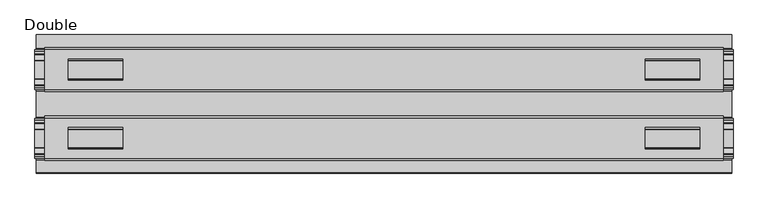
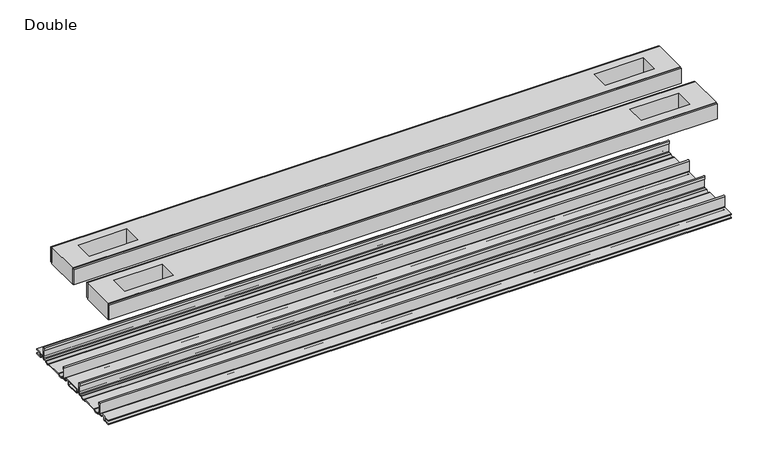
"""IFC4 building model written with IfcOpenShell, lengths in millimetres: proxy geometry, Double."""

from ifc_helpers import new_model, si_unit, point, frame, frame_2d, origin, place, context, project, spatial, polyline, circle_curve, trimmed, segment, composite_curve, outline, extrude, source, transform, mapped, element, save


def double_83665cc0(model_context):
    return source(origin(), model_context, "Body", "SweptSolid", [
        extrude(outline(composite_curve([segment(trimmed(circle_curve(frame_2d((76.6483061, -7.7516037)), 2.17424), [point((78.8225461, -7.7516037))], [point((76.6483061, -9.9258438))], False, "CARTESIAN"), True, "CONTINUOUS"), segment(polyline([(76.6483061, -9.9258438), (72.3573194, -9.9258438)]), True, "CONTINUOUS"), segment(trimmed(circle_curve(frame_2d((67.7769049, -6.4800016)), 5.7318431), [point((72.3573194, -9.9258438))], [point((63.1964904, -9.9258438))], False, "CARTESIAN"), True, "CONTINUOUS"), segment(polyline([(63.1964904, -9.9258438), (36.43501, -9.9258438)]), True, "CONTINUOUS"), segment(trimmed(circle_curve(frame_2d((31.8545955, -6.4800016)), 5.7318431), [point((36.43501, -9.9258438))], [point((27.274181, -9.9258438))], False, "CARTESIAN"), True, "CONTINUOUS"), segment(polyline([(27.274181, -9.9258438), (22.9831943, -9.9258438)]), True, "CONTINUOUS"), segment(trimmed(circle_curve(frame_2d((22.9831943, -7.7516037)), 2.17424), [point((22.9831943, -9.9258438))], [point((20.8089542, -7.7516037))], False, "CARTESIAN"), True, "CONTINUOUS"), segment(polyline([(20.8089542, -7.7516037), (20.8089542, 9.8607558)]), True, "CONTINUOUS"), segment(trimmed(circle_curve(frame_2d((22.0281522, 9.8607558)), 1.2191979), [point((20.8089542, 9.8607558))], [point((23.2473501, 9.8607558))], False, "CARTESIAN"), True, "CONTINUOUS"), segment(polyline([(23.2473501, 9.8607558), (23.2473501, 5.9999563), (21.9671735, 5.9999563), (21.9671735, -7.7516037)]), True, "CONTINUOUS"), segment(trimmed(circle_curve(frame_2d((22.9831943, -7.7516037)), 1.0160208), [point((21.9671735, -7.7516037))], [point((22.9766772, -8.7676036))], True, "CARTESIAN"), True, "CONTINUOUS"), segment(polyline([(22.9766772, -8.7676036), (26.9196277, -8.7676036), (27.8329895, -8.968753)]), True, "CONTINUOUS"), segment(trimmed(circle_curve(frame_2d((31.8579482, -6.1259382)), 4.9276657), [point((27.8329895, -8.968753))], [point((35.8829069, -8.968753))], True, "CARTESIAN"), True, "CONTINUOUS"), segment(polyline([(35.8829069, -8.968753), (36.7962778, -8.7676036), (62.8352226, -8.7676036), (63.7485934, -8.968753)]), True, "CONTINUOUS"), segment(trimmed(circle_curve(frame_2d((67.7735521, -6.1259382)), 4.9276657), [point((63.7485934, -8.968753))], [point((71.7985108, -8.968753))], True, "CARTESIAN"), True, "CONTINUOUS"), segment(polyline([(71.7985108, -8.968753), (72.7118726, -8.7676036), (76.6548232, -8.7676036)]), True, "CONTINUOUS"), segment(trimmed(circle_curve(frame_2d((76.6483061, -7.7516037)), 1.0160208), [point((76.6548232, -8.7676036))], [point((77.6643269, -7.7516037))], True, "CARTESIAN"), True, "CONTINUOUS"), segment(polyline([(77.6643269, -7.7516037), (77.6643269, 5.9999563), (76.3841503, 5.9999563), (76.3841503, 9.8607558)]), True, "CONTINUOUS"), segment(trimmed(circle_curve(frame_2d((77.6033482, 9.8607558)), 1.2191979), [point((76.3841503, 9.8607558))], [point((78.8225461, 9.8607558))], False, "CARTESIAN"), True, "CONTINUOUS"), segment(polyline([(78.8225461, 9.8607558), (78.8225461, -7.7516037)]), True, "CONTINUOUS")], self_intersect=False)), frame((-506.1204, 0.0, 0.0), z_axis=(1.0, 0.0, 0.0), x_axis=(0.0, 1.0, 0.0)), (0.0, 0.0, 1.0), 1012.2408),
        extrude(outline(composite_curve([segment(polyline([(-79.2035458, -7.7516037), (-79.2035458, 9.8607558)]), True, "CONTINUOUS"), segment(trimmed(circle_curve(frame_2d((-77.9843478, 9.8607558)), 1.2191979), [point((-79.2035458, 9.8607558))], [point((-76.7651499, 9.8607558))], False, "CARTESIAN"), True, "CONTINUOUS"), segment(polyline([(-76.7651499, 9.8607558), (-76.7651499, 5.9999563), (-78.0453265, 5.9999563), (-78.0453265, -7.7516037)]), True, "CONTINUOUS"), segment(trimmed(circle_curve(frame_2d((-77.0293057, -7.7516037)), 1.0160208), [point((-78.0453265, -7.7516037))], [point((-77.0358228, -8.7676036))], True, "CARTESIAN"), True, "CONTINUOUS"), segment(polyline([(-77.0358228, -8.7676036), (-73.0928723, -8.7676036), (-72.1795105, -8.968753)]), True, "CONTINUOUS"), segment(trimmed(circle_curve(frame_2d((-68.1545518, -6.1259382)), 4.9276657), [point((-72.1795105, -8.968753))], [point((-64.1295931, -8.968753))], True, "CARTESIAN"), True, "CONTINUOUS"), segment(polyline([(-64.1295931, -8.968753), (-63.2162222, -8.7676036), (-37.1772774, -8.7676036), (-36.2639066, -8.968753)]), True, "CONTINUOUS"), segment(trimmed(circle_curve(frame_2d((-32.2389479, -6.1259382)), 4.9276657), [point((-36.2639066, -8.968753))], [point((-28.2139892, -8.968753))], True, "CARTESIAN"), True, "CONTINUOUS"), segment(polyline([(-28.2139892, -8.968753), (-27.3006274, -8.7676036), (-23.3576768, -8.7676036)]), True, "CONTINUOUS"), segment(trimmed(circle_curve(frame_2d((-23.3641939, -7.7516037)), 1.0160208), [point((-23.3576768, -8.7676036))], [point((-22.3481731, -7.7516037))], True, "CARTESIAN"), True, "CONTINUOUS"), segment(polyline([(-22.3481731, -7.7516037), (-22.3481731, 5.9999563), (-23.6283497, 5.9999563), (-23.6283497, 9.8607558)]), True, "CONTINUOUS"), segment(trimmed(circle_curve(frame_2d((-22.4091518, 9.8607558)), 1.2191979), [point((-23.6283497, 9.8607558))], [point((-21.1899539, 9.8607558))], False, "CARTESIAN"), True, "CONTINUOUS"), segment(polyline([(-21.1899539, 9.8607558), (-21.1899539, -7.7516037)]), True, "CONTINUOUS"), segment(trimmed(circle_curve(frame_2d((-23.3641939, -7.7516037)), 2.17424), [point((-21.1899539, -7.7516037))], [point((-23.3641939, -9.9258438))], False, "CARTESIAN"), True, "CONTINUOUS"), segment(polyline([(-23.3641939, -9.9258438), (-27.6551806, -9.9258438)]), True, "CONTINUOUS"), segment(trimmed(circle_curve(frame_2d((-32.2355951, -6.4800016)), 5.7318431), [point((-27.6551806, -9.9258438))], [point((-36.8160096, -9.9258438))], False, "CARTESIAN"), True, "CONTINUOUS"), segment(polyline([(-36.8160096, -9.9258438), (-63.57749, -9.9258438)]), True, "CONTINUOUS"), segment(trimmed(circle_curve(frame_2d((-68.1579045, -6.4800016)), 5.7318431), [point((-63.57749, -9.9258438))], [point((-72.738319, -9.9258438))], False, "CARTESIAN"), True, "CONTINUOUS"), segment(polyline([(-72.738319, -9.9258438), (-77.0293057, -9.9258438)]), True, "CONTINUOUS"), segment(trimmed(circle_curve(frame_2d((-77.0293057, -7.7516037)), 2.17424), [point((-77.0293057, -9.9258438))], [point((-79.2035458, -7.7516037))], False, "CARTESIAN"), True, "CONTINUOUS")], self_intersect=False)), frame((-506.1204, 0.0, 0.0), z_axis=(1.0, 0.0, 0.0), x_axis=(0.0, 1.0, 0.0)), (0.0, 0.0, 1.0), 1012.2408),
        extrude(outline(polyline([(492.0615091, 78.8225461), (-492.0615091, 78.8225461), (-492.0615091, 81.9975522), (492.0615091, 81.9975522), (492.0615091, 78.8225461)])), frame((0.0, 0.0, 149.8401622), z_axis=(0.0, 0.0, 1.0), x_axis=(1.0, 0.0, 0.0)), (0.0, 0.0, 1.0), 25.3999939),
        extrude(outline(polyline([(492.0615091, 17.6339482), (-492.0615091, 17.6339482), (-492.0615091, 20.8089542), (492.0615091, 20.8089542), (492.0615091, 17.6339482)])), frame((0.0, 0.0, 149.8401622), z_axis=(0.0, 0.0, 1.0), x_axis=(1.0, 0.0, 0.0)), (0.0, 0.0, 1.0), 25.3999939),
        extrude(outline(polyline([(492.0615091, -21.1899493), (-492.0615091, -21.1899493), (-492.0615091, -18.0149501), (492.0615091, -18.0149501), (492.0615091, -21.1899493)])), frame((0.0, 0.0, 149.8401622), z_axis=(0.0, 0.0, 1.0), x_axis=(1.0, 0.0, 0.0)), (0.0, 0.0, 1.0), 25.3999939),
        extrude(outline(polyline([(492.0615091, -82.3785496), (-492.0615091, -82.3785496), (-492.0615091, -79.2035503), (492.0615091, -79.2035503), (492.0615091, -82.3785496)])), frame((0.0, 0.0, 149.8401622), z_axis=(0.0, 0.0, 1.0), x_axis=(1.0, 0.0, 0.0)), (0.0, 0.0, 1.0), 25.3999939),
        extrude(outline(polyline([(492.0615091, -79.2035503), (-492.0615091, -79.2035503), (-492.0615091, -21.1899493), (492.0615091, -21.1899493), (492.0615091, -79.2035503)]), holes=[polyline([(457.6444965, -65.3097536), (457.6444965, -34.3217468), (378.5996847, -34.3217468), (378.5996847, -65.3097536), (457.6444965, -65.3097536)]), polyline([(-457.6444965, -65.3097536), (-378.5996847, -65.3097536), (-378.5996847, -34.3217468), (-457.6444965, -34.3217468), (-457.6444965, -65.3097536)])]), frame((0.0, 0.0, 148.4185847), z_axis=(0.0, 0.0, 1.0), x_axis=(1.0, 0.0, 0.0)), (0.0, 0.0, 1.0), 27.9999988),
        extrude(outline(polyline([(492.0615091, 78.8225461), (492.0615091, 20.8224524), (-492.0615091, 20.8224524), (-492.0615091, 78.8225461), (492.0615091, 78.8225461)]), holes=[polyline([(457.6444965, 65.3097536), (378.5996847, 65.3097536), (378.5996847, 34.3217468), (457.6444965, 34.3217468), (457.6444965, 65.3097536)]), polyline([(-457.6444965, 65.3097536), (-457.6444965, 34.3217468), (-378.5996847, 34.3217468), (-378.5996847, 65.3097536), (-457.6444965, 65.3097536)])]), frame((0.0, 0.0, 148.4185847), z_axis=(0.0, 0.0, 1.0), x_axis=(1.0, 0.0, 0.0)), (0.0, 0.0, 1.0), 27.9999988),
        extrude(outline(composite_curve([segment(polyline([(100.2730922, -13.9898438), (89.6620022, -13.9898438)]), True, "CONTINUOUS"), segment(trimmed(circle_curve(frame_2d((89.6620022, -12.4658438)), 1.524), [point((89.6620022, -13.9898438))], [point((88.1380022, -12.4658438))], False, "CARTESIAN"), True, "CONTINUOUS"), segment(polyline([(88.1380022, -12.4658438), (88.1380022, -7.766844), (81.3117474, -7.766844), (81.3117474, -10.0528438)]), True, "CONTINUOUS"), segment(trimmed(circle_curve(frame_2d((79.7877474, -10.0528438)), 1.524), [point((81.3117474, -10.0528438))], [point((79.7877474, -11.5768438))], False, "CARTESIAN"), True, "CONTINUOUS"), segment(polyline([(79.7877474, -11.5768438), (73.2816053, -11.5768438)]), True, "CONTINUOUS"), segment(trimmed(circle_curve(frame_2d((67.7735521, -6.4968436)), 7.4930002), [point((73.2816053, -11.5768438))], [point((62.5157472, -11.8354331))], False, "CARTESIAN"), True, "CONTINUOUS"), segment(polyline([(62.5157472, -11.8354331), (37.1157532, -11.8354331)]), True, "CONTINUOUS"), segment(trimmed(circle_curve(frame_2d((31.8579482, -6.4968436)), 7.4930002), [point((37.1157532, -11.8354331))], [point((26.3498951, -11.5768438))], False, "CARTESIAN"), True, "CONTINUOUS"), segment(polyline([(26.3498951, -11.5768438), (19.8437529, -11.5768438)]), True, "CONTINUOUS"), segment(trimmed(circle_curve(frame_2d((19.8437529, -10.0528438)), 1.524), [point((19.8437529, -11.5768438))], [point((18.319753, -10.0528438))], False, "CARTESIAN"), True, "CONTINUOUS"), segment(polyline([(18.319753, -10.0528438), (18.319753, -7.766844), (11.4934981, -7.766844), (11.4934981, -12.4658438)]), True, "CONTINUOUS"), segment(trimmed(circle_curve(frame_2d((9.9694982, -12.4658438)), 1.524), [point((11.4934981, -12.4658438))], [point((9.9694982, -13.9898438))], False, "CARTESIAN"), True, "CONTINUOUS"), segment(polyline([(9.9694982, -13.9898438), (-10.3504978, -13.9898438)]), True, "CONTINUOUS"), segment(trimmed(circle_curve(frame_2d((-10.3504978, -12.4658438)), 1.524), [point((-10.3504978, -13.9898438))], [point((-11.8744978, -12.4658438))], False, "CARTESIAN"), True, "CONTINUOUS"), segment(polyline([(-11.8744978, -12.4658438), (-11.8744978, -7.766844), (-18.7007526, -7.766844), (-18.7007526, -10.0528438)]), True, "CONTINUOUS"), segment(trimmed(circle_curve(frame_2d((-20.2247526, -10.0528438)), 1.524), [point((-18.7007526, -10.0528438))], [point((-20.2247526, -11.5768438))], False, "CARTESIAN"), True, "CONTINUOUS"), segment(polyline([(-20.2247526, -11.5768438), (-26.7308947, -11.5768438)]), True, "CONTINUOUS"), segment(trimmed(circle_curve(frame_2d((-32.2389479, -6.4968436)), 7.4930002), [point((-26.7308947, -11.5768438))], [point((-37.4967528, -11.8354331))], False, "CARTESIAN"), True, "CONTINUOUS"), segment(polyline([(-37.4967528, -11.8354331), (-62.8967468, -11.8354331)]), True, "CONTINUOUS"), segment(trimmed(circle_curve(frame_2d((-68.1545518, -6.4968436)), 7.4930002), [point((-62.8967468, -11.8354331))], [point((-73.6626049, -11.5768438))], False, "CARTESIAN"), True, "CONTINUOUS"), segment(polyline([(-73.6626049, -11.5768438), (-80.1687471, -11.5768438)]), True, "CONTINUOUS"), segment(trimmed(circle_curve(frame_2d((-80.1687471, -10.0528438)), 1.524), [point((-80.1687471, -11.5768438))], [point((-81.692747, -10.0528438))], False, "CARTESIAN"), True, "CONTINUOUS"), segment(polyline([(-81.692747, -10.0528438), (-81.692747, -7.766844), (-88.5190019, -7.766844), (-88.5190019, -12.4658438)]), True, "CONTINUOUS"), segment(trimmed(circle_curve(frame_2d((-90.0430018, -12.4658438)), 1.524), [point((-88.5190019, -12.4658438))], [point((-90.0430018, -13.9898438))], False, "CARTESIAN"), True, "CONTINUOUS"), segment(polyline([(-90.0430018, -13.9898438), (-100.6540918, -13.9898438), (-100.6112708, -12.3388438), (-90.1700003, -12.3388438), (-90.1700003, -7.766844), (-100.6112708, -7.766844), (-100.6540918, -6.1158439), (-81.6301718, -6.1158439)]), True, "CONTINUOUS"), segment(trimmed(circle_curve(frame_2d((-81.6927482, -7.7656583)), 1.6510007), [point((-81.6301718, -6.1158439))], [point((-80.0417475, -7.7656583))], False, "CARTESIAN"), True, "CONTINUOUS"), segment(polyline([(-80.0417475, -7.7656583), (-80.0417475, -9.9258438), (-73.493084, -9.9258438)]), True, "CONTINUOUS"), segment(trimmed(circle_curve(frame_2d((-68.1545518, -5.2268471)), 7.1119966), [point((-73.493084, -9.9258438))], [point((-62.8160195, -9.9258438))], True, "CARTESIAN"), True, "CONTINUOUS"), segment(polyline([(-62.8160195, -9.9258438), (-37.5774801, -9.9258438)]), True, "CONTINUOUS"), segment(trimmed(circle_curve(frame_2d((-32.2389479, -5.2268471)), 7.1119966), [point((-37.5774801, -9.9258438))], [point((-26.9004156, -9.9258438))], True, "CARTESIAN"), True, "CONTINUOUS"), segment(polyline([(-26.9004156, -9.9258438), (-20.3517522, -9.9258438), (-20.3517522, -7.7656583)]), True, "CONTINUOUS"), segment(trimmed(circle_curve(frame_2d((-18.7007515, -7.7656583)), 1.6510007), [point((-20.3517522, -7.7656583))], [point((-18.7633278, -6.1158439))], False, "CARTESIAN"), True, "CONTINUOUS"), segment(polyline([(-18.7633278, -6.1158439), (18.3823282, -6.1158439)]), True, "CONTINUOUS"), segment(trimmed(circle_curve(frame_2d((18.3197518, -7.7656583)), 1.6510007), [point((18.3823282, -6.1158439))], [point((19.9707525, -7.7656583))], False, "CARTESIAN"), True, "CONTINUOUS"), segment(polyline([(19.9707525, -7.7656583), (19.9707525, -9.9258438), (26.519416, -9.9258438)]), True, "CONTINUOUS"), segment(trimmed(circle_curve(frame_2d((31.8579482, -5.2268471)), 7.1119966), [point((26.519416, -9.9258438))], [point((37.1964805, -9.9258438))], True, "CARTESIAN"), True, "CONTINUOUS"), segment(polyline([(37.1964805, -9.9258438), (62.4350199, -9.9258438)]), True, "CONTINUOUS"), segment(trimmed(circle_curve(frame_2d((67.7735521, -5.2268471)), 7.1119966), [point((62.4350199, -9.9258438))], [point((73.1120844, -9.9258438))], True, "CARTESIAN"), True, "CONTINUOUS"), segment(polyline([(73.1120844, -9.9258438), (79.6607478, -9.9258438), (79.6607478, -7.6398436)]), True, "CONTINUOUS"), segment(trimmed(circle_curve(frame_2d((81.1847475, -7.6398436)), 1.5239997), [point((79.6607478, -7.6398436))], [point((81.1847475, -6.1158439))], False, "CARTESIAN"), True, "CONTINUOUS"), segment(polyline([(81.1847475, -6.1158439), (100.2730922, -6.1158439), (100.2302711, -7.766844), (89.7890007, -7.766844), (89.7890007, -12.3388438), (100.2302711, -12.3388438), (100.2730922, -13.9898438)]), True, "CONTINUOUS")], self_intersect=False), holes=[polyline([(9.8424997, -12.3388438), (9.8424997, -7.766844), (-10.2234993, -7.766844), (-10.2234993, -12.3388438), (9.8424997, -12.3388438)])]), frame((-504.4694, 0.0, 0.0), z_axis=(1.0, 0.0, 0.0), x_axis=(0.0, 1.0, 0.0)), (0.0, 0.0, 1.0), 1008.9388),
    ])


if __name__ == "__main__":
    model = new_model("IFC4")
    model_context = context("Model", 3, world=origin())
    ifc_project = project(units=[si_unit("LENGTHUNIT", "METRE", prefix="MILLI")], contexts=[model_context])
    site = spatial("IfcSite", under=ifc_project)
    building = spatial("IfcBuilding", under=site)
    placement = place(None, origin())
    double_shape = double_83665cc0(model_context)
    element("IfcBuildingElementProxy", 1, Name="Double", ObjectType="Double", at=placement, inside=building, context=model_context, shape_type="MappedRepresentation", body=[
        mapped(double_shape, transform((0.0, 0.0, 0.0), x_axis=(1.0, 0.0, 0.0), y_axis=(0.0, 1.0, 0.0), z_axis=(0.0, 0.0, 1.0))),
    ])
    save(model, "model.ifc")
